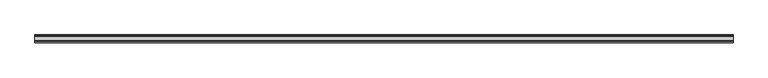
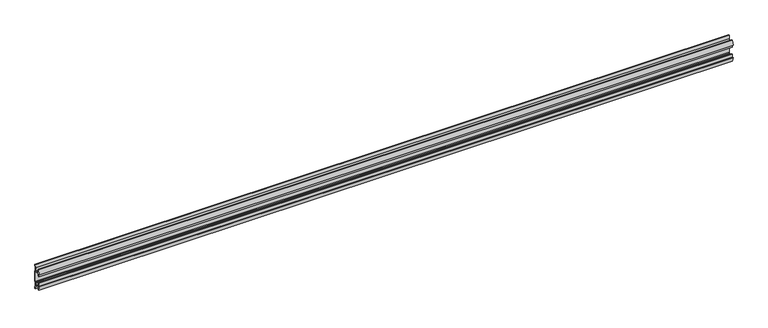
"""IFC4 building model written with IfcOpenShell, lengths in millimetres: furniture geometry."""

from ifc_helpers import new_model, si_unit, point, frame, frame_2d, origin, place, context, project, spatial, polyline, circle_curve, trimmed, segment, composite_curve, outline, extrude, source, transform, mapped, element, save


def furniture_73238dbd(model_context):
    return source(origin(), model_context, "Body", "SweptSolid", [
        extrude(outline(composite_curve([segment(polyline([(11.858323, 1787.0845986), (10.7166987, 1781.1251626)]), True, "CONTINUOUS"), segment(trimmed(circle_curve(frame_2d((88.1501042, 1766.291568)), 78.8414093), [point((10.7166987, 1781.1251626))], [point((9.4546262, 1771.0863112))], True, "CARTESIAN"), True, "CONTINUOUS"), segment(polyline([(9.4546262, 1771.0863112), (11.4773198, 1769.0636177), (11.4773198, 1736.1363823), (9.4546262, 1734.1136888)]), True, "CONTINUOUS"), segment(trimmed(circle_curve(frame_2d((88.1501042, 1738.908432)), 78.8414093), [point((9.4546262, 1734.1136888))], [point((10.7166987, 1724.0748374))], True, "CARTESIAN"), True, "CONTINUOUS"), segment(polyline([(10.7166987, 1724.0748374), (11.858323, 1718.1154014), (11.858323, 1714.5006449), (9.3183016, 1714.5006449), (7.5671861, 1723.641709), (6.9977776, 1730.3354675), (-5.9218281, 1730.3354675), (-5.9218281, 1719.7705449), (-8.4618484, 1719.7705449), (-11.7914971, 1733.2790462), (-8.4618484, 1732.2801511), (-8.4618484, 1741.8052306), (-5.9218281, 1741.8052306), (-5.9218281, 1732.915155), (6.7782802, 1732.915155), (6.7782802, 1735.469689), (8.8976323, 1737.3120136), (8.8976323, 1767.8910348), (6.7782802, 1769.7454685), (-5.2868484, 1769.7454685), (-5.2868484, 1763.3954144), (-8.4618484, 1763.3954144), (-8.4618484, 1772.9204939), (-11.858323, 1771.6504837), (-8.4618484, 1785.4301), (-5.2868484, 1785.4301), (-5.2868484, 1772.2854899), (6.7782802, 1772.2854899), (7.5671861, 1781.5595809), (9.3183016, 1790.7006449), (11.858323, 1790.7006449), (11.858323, 1787.0845986)]), True, "CONTINUOUS")], self_intersect=False)), frame((-1041.4, 0.0, 0.0), z_axis=(1.0, 0.0, 0.0), x_axis=(0.0, 1.0, 0.0)), (0.0, 0.0, 1.0), 2082.8),
    ])


if __name__ == "__main__":
    model = new_model("IFC4")
    model_context = context("Model", 3, world=origin())
    ifc_project = project(units=[si_unit("LENGTHUNIT", "METRE", prefix="MILLI")], contexts=[model_context])
    site = spatial("IfcSite", under=ifc_project)
    building = spatial("IfcBuilding", under=site)
    placement = place(None, origin())
    furniture_shape = furniture_73238dbd(model_context)
    element("IfcFurniture", 1, at=placement, inside=building, context=model_context, shape_type="MappedRepresentation", body=[
        mapped(furniture_shape, transform((0.0, 0.0, 0.0), x_axis=(1.0, 0.0, 0.0), y_axis=(0.0, 1.0, 0.0), z_axis=(0.0, 0.0, 1.0))),
    ])
    save(model, "model.ifc")
